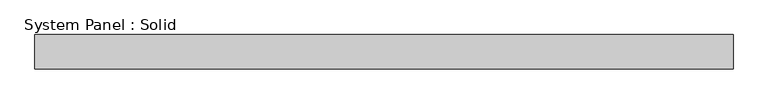
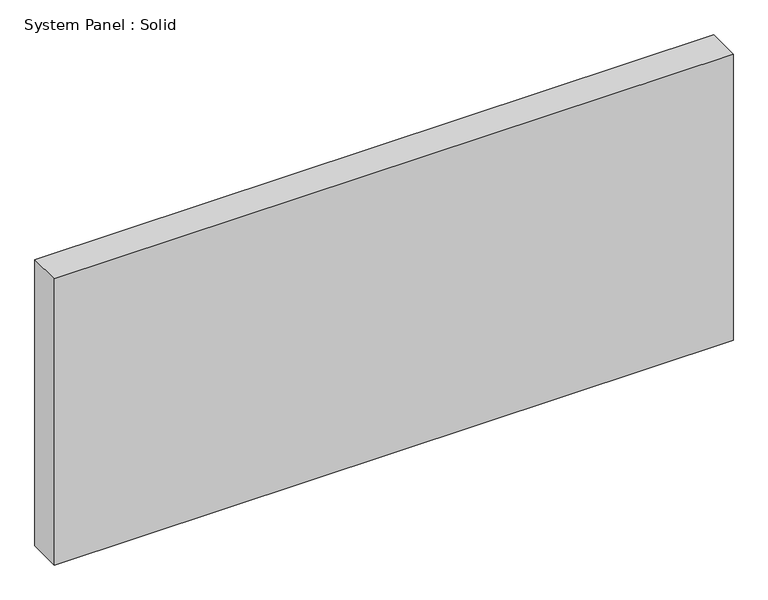
"""IFC4 building model written with IfcOpenShell, lengths in millimetres: plate geometry, System Panel : Solid."""

from ifc_helpers import new_model, si_unit, origin, origin_with_axes, place, context, project, spatial, polyline, outline, extrude, source, transform, mapped, element, save


def system_panel_solid_d3b92a9a(model_context):
    return source(origin(), model_context, "Body", "SweptSolid", [
        extrude(outline(polyline([(641.35, -19.05), (-641.35, -19.05), (-641.35, 44.45), (641.35, 44.45), (641.35, -19.05)])), origin_with_axes(), (0.0, 0.0, 1.0), 571.5),
    ])


if __name__ == "__main__":
    model = new_model("IFC4")
    model_context = context("Model", 3, world=origin())
    ifc_project = project(units=[si_unit("LENGTHUNIT", "METRE", prefix="MILLI")], contexts=[model_context])
    site = spatial("IfcSite", under=ifc_project)
    building = spatial("IfcBuilding", under=site)
    placement = place(None, origin())
    system_panel_solid_shape = system_panel_solid_d3b92a9a(model_context)
    element("IfcPlate", 1, ObjectType="System Panel : Solid", at=placement, inside=building, context=model_context, shape_type="MappedRepresentation", body=[
        mapped(system_panel_solid_shape, transform((0.0, 0.0, 0.0), x_axis=(1.0, 0.0, 0.0), y_axis=(0.0, 1.0, 0.0), z_axis=(0.0, 0.0, 1.0))),
    ])
    save(model, "model.ifc")
